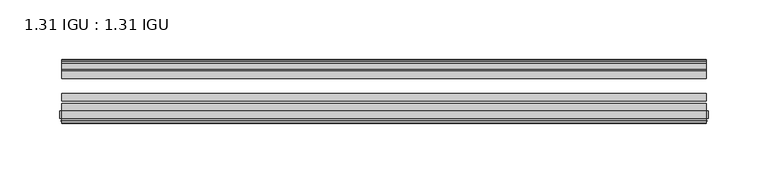
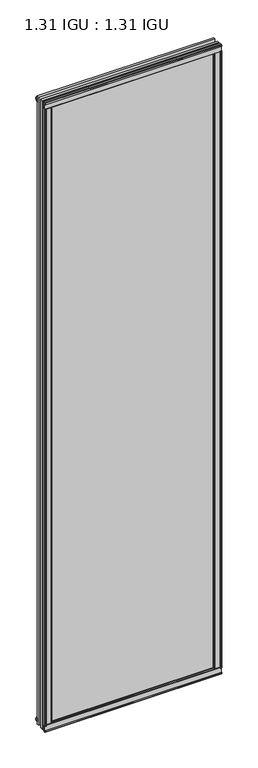
"""IFC4 building model written with IfcOpenShell, lengths in millimetres: plate geometry, 1.31 IGU : 1.31 IGU."""

from ifc_helpers import new_model, si_unit, point, frame, frame_2d, origin, origin_with_axes, place, context, project, spatial, polyline, circle_curve, trimmed, segment, composite_curve, outline, extrude, source, transform, mapped, element, save


def plate_1_31_igu_1_31_igu_8e277d1b(model_context):
    return source(origin(), model_context, "Body", "SweptSolid", [
        extrude(outline(polyline([(257.1815235, -11.1943457), (255.7794901, -11.5700195), (255.5494, -10.7113114), (257.9624, -10.06475), (260.3754, -10.7113114), (260.1453099, -11.5700195), (258.7432765, -11.1943457), (259.3594, -13.49375), (263.0379741, -13.49375), (263.0379741, -18.1284104), (261.6093294, -19.84375), (249.8966588, -19.84375), (251.6124, -13.49375), (256.5654, -13.49375), (257.1815235, -11.1943457)])), origin_with_axes(), (0.0, 0.0, 1.0), 1993.9),
        extrude(outline(polyline([(-257.1815235, -11.1943457), (-256.5654, -13.49375), (-251.6124, -13.49375), (-249.8966588, -19.84375), (-261.6093294, -19.84375), (-263.0379741, -18.1284104), (-263.0379741, -13.49375), (-259.3594, -13.49375), (-258.7432765, -11.1943457), (-260.1453099, -11.5700195), (-260.3754, -10.7113114), (-257.9624, -10.06475), (-255.5494, -10.7113114), (-255.7794901, -11.5700195), (-257.1815235, -11.1943457)])), origin_with_axes(), (0.0, 0.0, 1.0), 1993.9),
        extrude(outline(polyline([(-13.49375, -5.7276998), (-11.1943457, -6.3438233), (-11.5700195, -4.9417899), (-10.7113114, -4.7116998), (-10.06475, -7.1246998), (-10.7113114, -9.5376998), (-11.5700195, -9.3076097), (-11.1943457, -7.9055763), (-13.49375, -8.5216998), (-13.49375, -12.2002739), (-18.1284104, -12.2002739), (-19.84375, -10.7716292), (-19.84375, 0.9410414), (-13.49375, -0.7746998), (-13.49375, -5.7276998)])), frame((-269.875, 0.0, 0.0), z_axis=(1.0, 0.0, 0.0), x_axis=(0.0, 1.0, 0.0)), (0.0, 0.0, 1.0), 539.75),
        extrude(outline(composite_curve([segment(polyline([(-55.9719113, 2.457708), (-53.16855, 3.0868452), (-53.16855, -20.9097918), (-59.51855, -20.9097918), (-59.51855, -18.6868471), (-62.0391488, -18.0752025), (-61.5965021, -19.0933159), (-61.5965021, -19.98942), (-63.2729251, -17.4063265), (-61.3290281, -15.2058028), (-61.3290281, -16.0360741), (-61.9417436, -16.9618553), (-59.51855, -16.8077164), (-59.51855, 0.6826418)]), True, "CONTINUOUS"), segment(trimmed(circle_curve(frame_2d((-58.24855, 0.6826418)), 1.27), [point((-59.51855, 0.6826418))], [point((-58.6007815, 1.9028193))], False, "CARTESIAN"), True, "CONTINUOUS"), segment(polyline([(-58.6007815, 1.9028193), (-55.9719113, 2.457708)]), True, "CONTINUOUS")], self_intersect=False)), frame((-269.875, 0.0, 0.0), z_axis=(1.0, 0.0, 0.0), x_axis=(0.0, 1.0, 0.0)), (0.0, 0.0, 1.0), 539.75),
        extrude(outline(polyline([(-13.49375, 1999.6276998), (-13.49375, 1994.6746998), (-19.84375, 1992.9589586), (-19.84375, 2004.6716292), (-18.1284104, 2006.1002739), (-13.49375, 2006.1002739), (-13.49375, 2002.4216998), (-11.1943457, 2001.8055763), (-11.5700195, 2003.2076097), (-10.7113114, 2003.4376998), (-10.06475, 2001.0246998), (-10.7113114, 1998.6116998), (-11.5700195, 1998.8417899), (-11.1943457, 2000.2438233), (-13.49375, 1999.6276998)])), frame((-269.875, 0.0, 0.0), z_axis=(1.0, 0.0, 0.0), x_axis=(0.0, 1.0, 0.0)), (0.0, 0.0, 1.0), 539.75),
        extrude(outline(composite_curve([segment(polyline([(-55.9719113, 1991.442292), (-58.6007815, 1991.9971807)]), True, "CONTINUOUS"), segment(trimmed(circle_curve(frame_2d((-58.24855, 1993.2173582)), 1.27), [point((-58.6007815, 1991.9971807))], [point((-59.51855, 1993.2173582))], False, "CARTESIAN"), True, "CONTINUOUS"), segment(polyline([(-59.51855, 1993.2173582), (-59.51855, 2010.7077164), (-61.9417436, 2010.8618553), (-61.3290281, 2009.9360741), (-61.3290281, 2009.1058028), (-63.2729251, 2011.3063265), (-61.5965021, 2013.88942), (-61.5965021, 2012.9933159), (-62.0391488, 2011.9752025), (-59.51855, 2012.5868471), (-59.51855, 2014.8097918), (-53.16855, 2014.8097918), (-53.16855, 1990.8131548), (-55.9719113, 1991.442292)]), True, "CONTINUOUS")], self_intersect=False)), frame((-269.875, 0.0, 0.0), z_axis=(1.0, 0.0, 0.0), x_axis=(0.0, 1.0, 0.0)), (0.0, 0.0, 1.0), 539.75),
        extrude(outline(composite_curve([segment(polyline([(-268.2440267, -63.2729251), (-270.8271202, -61.5965021), (-269.9310161, -61.5965021), (-268.9129027, -62.0391488), (-269.5245473, -59.51855), (-271.747492, -59.51855), (-271.747492, -53.16855), (-247.750855, -53.16855), (-248.3799922, -55.9719113), (-248.9348809, -58.6007815)]), True, "CONTINUOUS"), segment(trimmed(circle_curve(frame_2d((-250.1550584, -58.24855)), 1.27), [point((-248.9348809, -58.6007815))], [point((-250.1550584, -59.51855))], False, "CARTESIAN"), True, "CONTINUOUS"), segment(polyline([(-250.1550584, -59.51855), (-267.6454166, -59.51855), (-267.7995555, -61.9417436), (-266.8737743, -61.3290281), (-266.0622463, -61.3290281), (-268.2440267, -63.2729251)]), True, "CONTINUOUS")], self_intersect=False)), origin_with_axes(), (0.0, 0.0, 1.0), 1993.9),
        extrude(outline(composite_curve([segment(polyline([(268.2440267, -63.2729251), (266.0622463, -61.3290281), (266.8737743, -61.3290281), (267.7995555, -61.9417436), (267.6454166, -59.51855), (250.1550584, -59.51855)]), True, "CONTINUOUS"), segment(trimmed(circle_curve(frame_2d((250.1550584, -58.24855)), 1.27), [point((250.1550584, -59.51855))], [point((248.9348809, -58.6007815))], False, "CARTESIAN"), True, "CONTINUOUS"), segment(polyline([(248.9348809, -58.6007815), (248.3799922, -55.9719113), (247.750855, -53.16855), (271.747492, -53.16855), (271.747492, -59.51855), (269.5245473, -59.51855), (268.9129027, -62.0391488), (269.9310161, -61.5965021), (270.8271202, -61.5965021), (268.2440267, -63.2729251)]), True, "CONTINUOUS")], self_intersect=False)), origin_with_axes(), (0.0, 0.0, 1.0), 1993.9),
        extrude(outline(polyline([(269.875, -19.84375), (269.875, -26.14295), (-269.875, -26.14295), (-269.875, -19.84375), (269.875, -19.84375)])), frame((0.0, 0.0, -19.05), z_axis=(0.0, 0.0, 1.0), x_axis=(1.0, 0.0, 0.0)), (0.0, 0.0, 1.0), 2032.0),
        extrude(outline(polyline([(-269.875, -44.83735), (-269.875, -38.53815), (269.875, -38.53815), (269.875, -44.83735), (-269.875, -44.83735)])), frame((0.0, 0.0, -19.05), z_axis=(0.0, 0.0, 1.0), x_axis=(1.0, 0.0, 0.0)), (0.0, 0.0, 1.0), 2032.0),
        extrude(outline(polyline([(-269.875, -53.16855), (-269.875, -46.86935), (269.875, -46.86935), (269.875, -53.16855), (-269.875, -53.16855)])), frame((0.0, 0.0, -19.05), z_axis=(0.0, 0.0, 1.0), x_axis=(1.0, 0.0, 0.0)), (0.0, 0.0, 1.0), 2032.0),
    ])


if __name__ == "__main__":
    model = new_model("IFC4")
    model_context = context("Model", 3, world=origin())
    ifc_project = project(units=[si_unit("LENGTHUNIT", "METRE", prefix="MILLI")], contexts=[model_context])
    site = spatial("IfcSite", under=ifc_project)
    building = spatial("IfcBuilding", under=site)
    placement = place(None, origin())
    plate_1_31_igu_1_31_igu_shape = plate_1_31_igu_1_31_igu_8e277d1b(model_context)
    element("IfcPlate", 1, ObjectType="1.31 IGU : 1.31 IGU", at=placement, inside=building, context=model_context, shape_type="MappedRepresentation", body=[
        mapped(plate_1_31_igu_1_31_igu_shape, transform((0.0, 0.0, 0.0), x_axis=(1.0, 0.0, 0.0), y_axis=(0.0, 1.0, 0.0), z_axis=(0.0, 0.0, 1.0))),
    ])
    save(model, "model.ifc")
